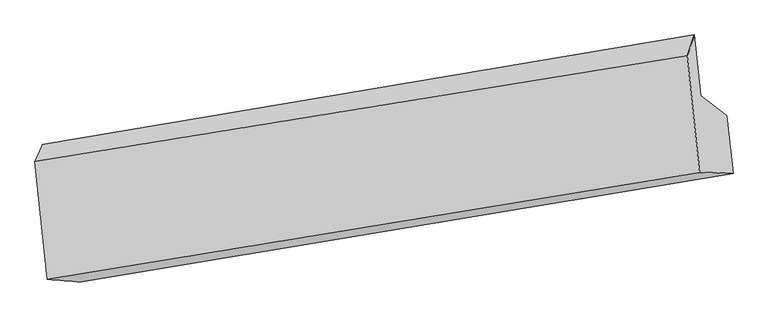
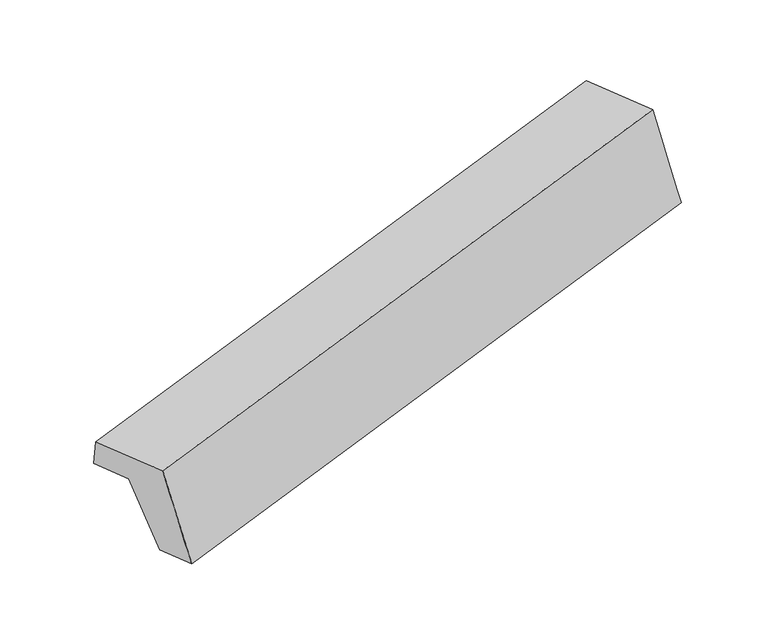
"""IFC4 building model written with IfcOpenShell, lengths in millimetres: proxy geometry."""

from ifc_helpers import new_model, si_unit, frame, origin, place, context, project, spatial, source, transform, mapped, element, save
from ifc_brep_helpers import plane_surface, spline_surface, advanced_brep


def generic_models_3b02af1a(model_context):
    return source(origin(), model_context, "Body", "AdvancedBrep", [
        advanced_brep(
        [(-5096.7762663, -1388.9476753, 1379.6706962), (-5146.8209956, -1501.7637042, 1649.8886835), (-838.404458, -801.2361043, 2755.073896), (-790.9547932, -663.9908551, 2478.6205699), (-5064.0226396, -2281.2045524, 1848.8339506), (-756.4063995, -1573.1431731, 2952.0962337), (-4842.3618165, -2298.0891536, 997.3988555), (-535.7694473, -1580.3893368, 2098.2010141), (-4882.1340948, -1923.6839137, 901.835285), (-576.5655965, -1196.3456595, 2000.1773191), (-5053.7915766, -1793.5936683, 1482.952947), (-748.2230783, -1066.2554141, 2581.2949811)],
        [
            (0, 1),
            (1, 2),
            (2, 3),
            (3, 0),
            (1, 4),
            (4, 5),
            (5, 2),
            (4, 6),
            (6, 7),
            (7, 5),
            (6, 8),
            (8, 9),
            (9, 7),
            (8, 10),
            (10, 11),
            (11, 9),
            (10, 0),
            (3, 11),
        ],
        [
            spline_surface(1, 1, [[(-5096.7762663, -1388.9476753, 1379.6706962), (-790.9547932, -663.9908551, 2478.6205699)], [(-5146.8209956, -1501.7637042, 1649.8886835), (-838.404458, -801.2361043, 2755.073896)]], [2, 2], [2, 2], [0.0, 1.0], [0.0, 1.0]),
            plane_surface(frame((-5105.4218176, -1891.4841283, 1749.361317), z_axis=(-0.27485692402219547, 0.21027235810205194, 0.9382106409198627), x_axis=(0.10238708619069184, -0.9638437426204313, 0.24601244763795962))),
            spline_surface(1, 1, [[(-5064.0226396, -2281.2045524, 1848.8339506), (-756.4063995, -1573.1431731, 2952.0962337)], [(-4842.3618165, -2298.0891536, 997.3988555), (-535.7694473, -1580.3893368, 2098.2010141)]], [2, 2], [2, 2], [0.0, 1.0], [0.0, 1.0]),
            plane_surface(frame((-4862.2479556, -2110.8865336, 949.6170703), z_axis=(0.27485692402219575, -0.2102723581020517, -0.938210640919863), x_axis=(-0.1023870861906917, 0.9638437426204314, -0.24601244763795935))),
            plane_surface(frame((-4967.9628357, -1858.638791, 1192.394116), z_axis=(-0.10026492581494562, 0.9642059244706738, -0.24546665734265705), x_axis=(-0.27697951499764606, 0.20990831681053956, 0.9376677699512952))),
            plane_surface(frame((-5075.2839214, -1591.2706718, 1431.3118216), z_axis=(0.27485692402219236, -0.21027235810205236, -0.9382106409198637), x_axis=(-0.10238708619069167, 0.9638437426204314, -0.24601244763795943))),
            plane_surface(frame((-707.7206288, -1146.8934238, 2477.5773356), z_axis=(0.9554052715225351, 0.1641454792103827, 0.24547307143909936), x_axis=(-0.27697951499764606, 0.20990831681053956, 0.9376677699512952))),
            plane_surface(frame((-5014.3178982, -1864.5471112, 1376.763403), z_axis=(-0.9554052715225386, -0.16414547921038022, -0.24547307143908656), x_axis=(0.10238708619069166, -0.9638437426204309, 0.24601244763796074))),
        ],
        [
            (0, [[1, 2, 3, 4]]),
            (1, [[5, 6, 7, -2]]),
            (2, [[8, 9, 10, -6]]),
            (3, [[11, 12, 13, -9]]),
            (4, [[14, 15, 16, -12]]),
            (5, [[17, -4, 18, -15]]),
            (6, [[-16, -18, -3, -7, -10, -13]]),
            (7, [[-17, -14, -11, -8, -5, -1]]),
        ],
    ),
    ])


if __name__ == "__main__":
    model = new_model("IFC4")
    model_context = context("Model", 3, world=origin())
    ifc_project = project(units=[si_unit("LENGTHUNIT", "METRE", prefix="MILLI")], contexts=[model_context])
    site = spatial("IfcSite", under=ifc_project)
    building = spatial("IfcBuilding", under=site)
    placement = place(None, origin())
    generic_models_shape = generic_models_3b02af1a(model_context)
    element("IfcBuildingElementProxy", 1, Name="Generic Models", at=placement, inside=building, context=model_context, shape_type="MappedRepresentation", body=[
        mapped(generic_models_shape, transform((0.0, 0.0, 0.0), x_axis=(1.0, 0.0, 0.0), y_axis=(0.0, 1.0, 0.0), z_axis=(0.0, 0.0, 1.0))),
    ])
    save(model, "model.ifc")
